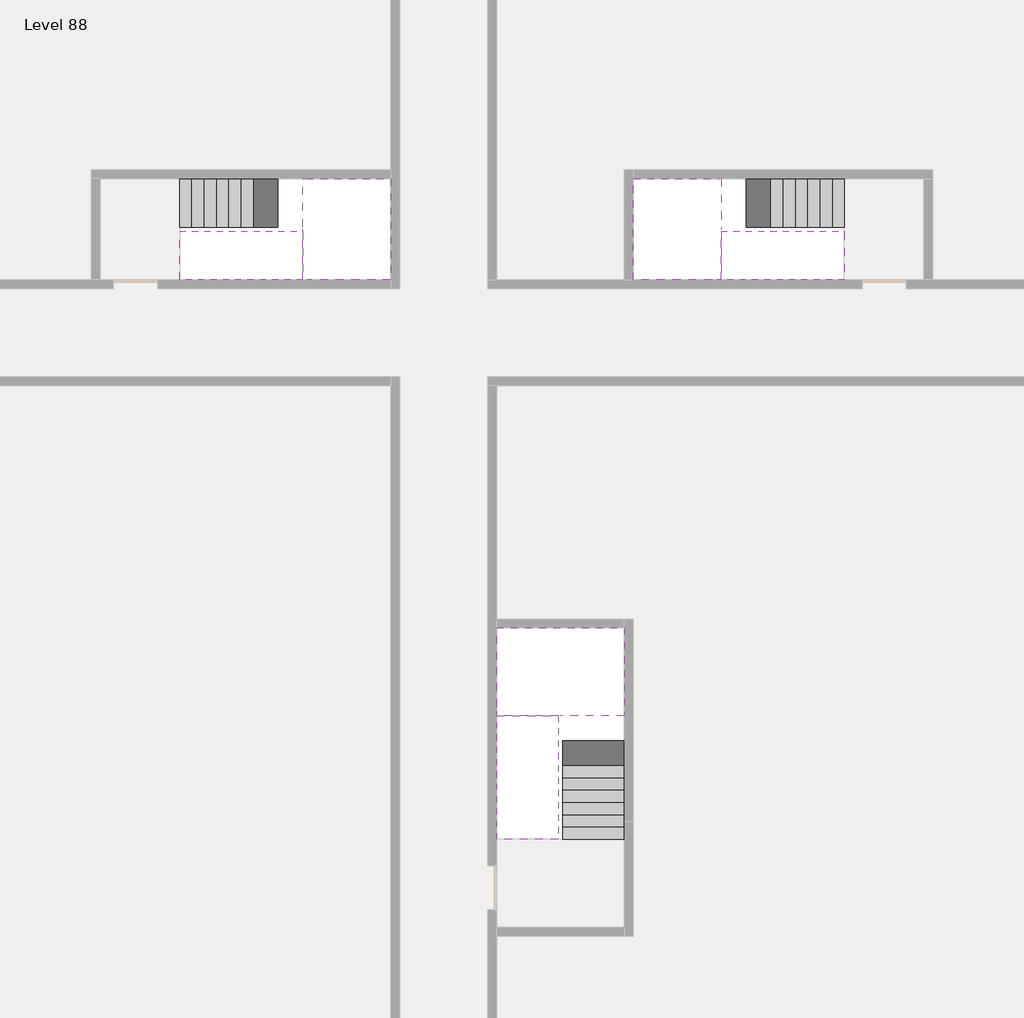
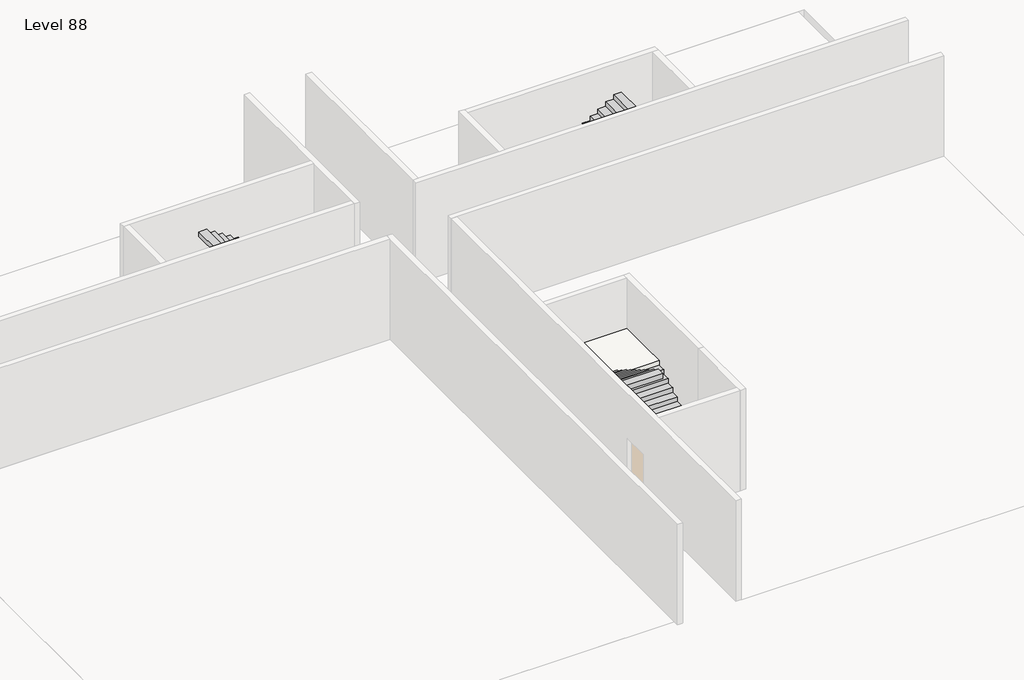
# One storey, part 2 of 2: 6 stair flights, 3 slabs.
"""IFC4 building model written with IfcOpenShell, lengths in millimetres."""

from ifc_helpers import new_model, si_unit, origin, place, context, project, spatial, faceted_brep, element, save

model = new_model("IFC4")

# Units and contexts
model_context = context("Model", 3, world=origin())
ifc_project = project(units=[si_unit("LENGTHUNIT", "METRE", prefix="MILLI")], contexts=[model_context])

# Site, building, storey
site = spatial("IfcSite", under=ifc_project)
building = spatial("IfcBuilding", under=site)
storey = spatial("IfcBuildingStorey", under=building, Name="Level 88", Elevation=330600.0)

# Slabs
placement = place(None, origin())
element("IfcSlab", 1, at=placement, inside=storey, context=model_context, shape_type="Brep", body=[
    faceted_brep([(26890.1058784, -40418.09644, 332500.0), (28290.1058784, -40418.09644, 332500.0), (28290.1058784, -40338.7100038, 332500.0), (28290.1058784, -38418.09644, 332500.0), (25390.1058784, -38418.09644, 332500.0), (25390.1058784, -40217.4828763, 332500.0), (25390.1058784, -40418.09644, 332500.0), (26790.1058784, -40418.09644, 332500.0), (26890.1058784, -40418.09644, 332200.0), (26890.1058784, -40418.09644, 332151.0278478), (28290.1058784, -40418.09644, 332151.0278478), (28290.1058784, -40418.09644, 332327.2727273), (28290.1058784, -40338.7100038, 332200.0), (28290.1058784, -38418.09644, 332200.0), (25390.1058784, -38418.09644, 332200.0), (25390.1058784, -40217.4828763, 332200.0), (25390.1058784, -40418.09644, 332323.7551205), (26790.1058784, -40418.09644, 332323.7551205), (26790.1058784, -40418.09644, 332200.0), (26790.1058784, -40217.4828763, 332200.0), (26890.1058784, -40338.7100038, 332200.0)], [[[0, 1, 2, 3, 4, 5, 6, 7]], [[1, 0, 8, 9, 10, 11]], [[1, 11, 10, 12, 13, 3, 2]], [[4, 3, 13, 14]], [[4, 14, 15, 16, 6, 5]], [[7, 6, 16, 17]], [[0, 7, 17, 18, 8]], [[18, 19, 15, 14, 13, 12, 20, 8]], [[19, 18, 17]], [[20, 12, 10, 9]], [[8, 20, 9]], [[15, 19, 17, 16]]]),
])
element("IfcSlab", 2, at=placement, inside=storey, context=model_context, shape_type="Brep", body=[
    faceted_brep([(20990.1058784, -28218.09644, 332500.0), (20990.1058784, -29318.09644, 332500.0), (20990.1058784, -29418.09644, 332500.0), (20990.1058784, -30518.09644, 332500.0), (21190.7194421, -30518.09644, 332500.0), (22990.1058784, -30518.09644, 332500.0), (22990.1058784, -28218.09644, 332500.0), (21069.4923146, -28218.09644, 332500.0), (20990.1058784, -28218.09644, 332327.2727273), (20990.1058784, -28218.09644, 332151.0278478), (20990.1058784, -29318.09644, 332151.0278478), (20990.1058784, -29318.09644, 332200.0), (20990.1058784, -29418.09644, 332200.0), (20990.1058784, -29418.09644, 332323.7551205), (20990.1058784, -30518.09644, 332323.7551205), (21190.7194421, -30518.09644, 332200.0), (22990.1058784, -30518.09644, 332200.0), (22990.1058784, -28218.09644, 332200.0), (21069.4923146, -28218.09644, 332200.0), (21190.7194421, -29418.09644, 332200.0), (21069.4923146, -29318.09644, 332200.0)], [[[0, 1, 2, 3, 4, 5, 6, 7]], [[1, 0, 8, 9, 10, 11]], [[2, 1, 11, 12, 13]], [[3, 2, 13, 14]], [[3, 14, 15, 16, 5, 4]], [[6, 5, 16, 17]], [[9, 8, 0, 7, 6, 17, 18]], [[19, 12, 11, 20, 18, 17, 16, 15]], [[12, 19, 13]], [[18, 20, 10, 9]], [[20, 11, 10]], [[19, 15, 14, 13]]]),
])
element("IfcSlab", 3, at=placement, inside=storey, context=model_context, shape_type="Brep", body=[
    faceted_brep([(30490.1058784, -29318.09644, 332500.0), (30490.1058784, -28218.09644, 332500.0), (30410.7194421, -28218.09644, 332500.0), (28490.1058784, -28218.09644, 332500.0), (28490.1058784, -30518.09644, 332500.0), (30289.4923146, -30518.09644, 332500.0), (30490.1058784, -30518.09644, 332500.0), (30490.1058784, -29418.09644, 332500.0), (30490.1058784, -29318.09644, 332200.0), (30490.1058784, -29318.09644, 332151.0278478), (30490.1058784, -28218.09644, 332151.0278478), (30490.1058784, -28218.09644, 332327.2727273), (30490.1058784, -29418.09644, 332323.7551205), (30490.1058784, -29418.09644, 332200.0), (30490.1058784, -30518.09644, 332323.7551205), (28490.1058784, -30518.09644, 332200.0), (30289.4923146, -30518.09644, 332200.0), (28490.1058784, -28218.09644, 332200.0), (30410.7194421, -28218.09644, 332200.0), (30289.4923146, -29418.09644, 332200.0), (30410.7194421, -29318.09644, 332200.0)], [[[0, 1, 2, 3, 4, 5, 6, 7]], [[1, 0, 8, 9, 10, 11]], [[0, 7, 12, 13, 8]], [[7, 6, 14, 12]], [[4, 15, 16, 14, 6, 5]], [[4, 3, 17, 15]], [[1, 11, 10, 18, 17, 3, 2]], [[13, 19, 16, 15, 17, 18, 20, 8]], [[20, 18, 10, 9]], [[8, 20, 9]], [[16, 19, 12, 14]], [[19, 13, 12]]]),
])

# Stair flights
element("IfcStairFlight", 4, at=placement, inside=storey, context=model_context, shape_type="Brep", body=[
    faceted_brep([(26890.1058784, -42938.09644, 330772.7272727), (26890.1058784, -43218.09644, 330772.7272727), (28290.1058784, -43218.09644, 330772.7272727), (28290.1058784, -42938.09644, 330772.7272727), (26890.1058784, -42938.09644, 330600.0), (26890.1058784, -43218.09644, 330600.0), (28290.1058784, -43218.09644, 330600.0), (28290.1058784, -42938.09644, 330600.0), (26890.1058784, -42658.09644, 330945.4545455), (26890.1058784, -42938.09644, 330945.4545455), (28290.1058784, -42938.09644, 330945.4545455), (28290.1058784, -42658.09644, 330945.4545455), (26890.1058784, -42658.09644, 330769.209666), (26890.1058784, -42932.3942143, 330600.0), (28290.1058784, -42932.3942143, 330600.0), (28290.1058784, -42658.09644, 330769.209666), (26890.1058784, -42378.09644, 331118.1818182), (26890.1058784, -42658.09644, 331118.1818182), (28290.1058784, -42658.09644, 331118.1818182), (28290.1058784, -42378.09644, 331118.1818182), (26890.1058784, -42378.09644, 330941.9369387), (28290.1058784, -42378.09644, 330941.9369387), (26890.1058784, -42098.09644, 331290.9090909), (26890.1058784, -42378.09644, 331290.9090909), (28290.1058784, -42378.09644, 331290.9090909), (28290.1058784, -42098.09644, 331290.9090909), (26890.1058784, -42098.09644, 331114.6642114), (28290.1058784, -42098.09644, 331114.6642114), (26890.1058784, -41818.09644, 331463.6363636), (26890.1058784, -42098.09644, 331463.6363636), (28290.1058784, -42098.09644, 331463.6363636), (28290.1058784, -41818.09644, 331463.6363636), (26890.1058784, -41818.09644, 331287.3914841), (28290.1058784, -41818.09644, 331287.3914841), (26890.1058784, -41538.09644, 331636.3636364), (26890.1058784, -41818.09644, 331636.3636364), (28290.1058784, -41818.09644, 331636.3636364), (28290.1058784, -41538.09644, 331636.3636364), (26890.1058784, -41538.09644, 331460.1187569), (28290.1058784, -41538.09644, 331460.1187569), (26890.1058784, -41258.09644, 331809.0909091), (26890.1058784, -41538.09644, 331809.0909091), (28290.1058784, -41538.09644, 331809.0909091), (28290.1058784, -41258.09644, 331809.0909091), (26890.1058784, -41258.09644, 331632.8460296), (28290.1058784, -41258.09644, 331632.8460296), (26890.1058784, -40978.09644, 331981.8181818), (26890.1058784, -41258.09644, 331981.8181818), (28290.1058784, -41258.09644, 331981.8181818), (28290.1058784, -40978.09644, 331981.8181818), (26890.1058784, -40978.09644, 331805.5733023), (28290.1058784, -40978.09644, 331805.5733023), (26890.1058784, -40698.09644, 332154.5454545), (26890.1058784, -40978.09644, 332154.5454545), (28290.1058784, -40978.09644, 332154.5454545), (28290.1058784, -40698.09644, 332154.5454545), (26890.1058784, -40698.09644, 331978.3005751), (28290.1058784, -40698.09644, 331978.3005751), (26890.1058784, -40418.09644, 332327.2727273), (26890.1058784, -40698.09644, 332327.2727273), (28290.1058784, -40698.09644, 332327.2727273), (28290.1058784, -40418.09644, 332327.2727273), (26890.1058784, -40418.09644, 332200.0), (26890.1058784, -40418.09644, 332151.0278478), (28290.1058784, -40418.09644, 332151.0278478)], [[[0, 1, 2, 3]], [[1, 0, 4, 5]], [[2, 1, 5, 6]], [[3, 2, 6, 7]], [[8, 9, 10, 11]], [[4, 0, 9, 8, 12, 13]], [[0, 3, 10, 9]], [[3, 7, 14, 15, 11, 10]], [[16, 17, 18, 19]], [[17, 16, 20, 12, 8]], [[8, 11, 18, 17]], [[19, 18, 11, 15, 21]], [[22, 23, 24, 25]], [[23, 22, 26, 20, 16]], [[16, 19, 24, 23]], [[25, 24, 19, 21, 27]], [[28, 29, 30, 31]], [[29, 28, 32, 26, 22]], [[22, 25, 30, 29]], [[31, 30, 25, 27, 33]], [[34, 35, 36, 37]], [[35, 34, 38, 32, 28]], [[28, 31, 36, 35]], [[37, 36, 31, 33, 39]], [[40, 41, 42, 43]], [[41, 40, 44, 38, 34]], [[34, 37, 42, 41]], [[43, 42, 37, 39, 45]], [[46, 47, 48, 49]], [[47, 46, 50, 44, 40]], [[40, 43, 48, 47]], [[49, 48, 43, 45, 51]], [[52, 53, 54, 55]], [[53, 52, 56, 50, 46]], [[46, 49, 54, 53]], [[55, 54, 49, 51, 57]], [[58, 59, 60, 61]], [[59, 58, 62, 63, 56, 52]], [[52, 55, 60, 59]], [[61, 60, 55, 57, 64]], [[58, 61, 64, 63, 62]], [[5, 4, 13, 14, 7, 6]], [[14, 13, 12, 20, 26, 32, 38, 44, 50, 56, 63, 64, 57, 51, 45, 39, 33, 27, 21, 15]]]),
])
element("IfcStairFlight", 5, at=placement, inside=storey, context=model_context, shape_type="Brep", body=[
    faceted_brep([(26790.1058784, -40698.09644, 332672.7272727), (26790.1058784, -40418.09644, 332672.7272727), (25390.1058784, -40418.09644, 332672.7272727), (25390.1058784, -40698.09644, 332672.7272727), (26790.1058784, -40698.09644, 332496.4823932), (26790.1058784, -40418.09644, 332323.7551205), (25390.1058784, -40418.09644, 332323.7551205), (25390.1058784, -40418.09644, 332500.0), (25390.1058784, -40698.09644, 332496.4823932), (26790.1058784, -40978.09644, 332845.4545455), (26790.1058784, -40698.09644, 332845.4545455), (25390.1058784, -40698.09644, 332845.4545455), (25390.1058784, -40978.09644, 332845.4545455), (26790.1058784, -40978.09644, 332669.209666), (25390.1058784, -40978.09644, 332669.209666), (26790.1058784, -41258.09644, 333018.1818182), (26790.1058784, -40978.09644, 333018.1818182), (25390.1058784, -40978.09644, 333018.1818182), (25390.1058784, -41258.09644, 333018.1818182), (26790.1058784, -41258.09644, 332841.9369387), (25390.1058784, -41258.09644, 332841.9369387), (26790.1058784, -41538.09644, 333190.9090909), (26790.1058784, -41258.09644, 333190.9090909), (25390.1058784, -41258.09644, 333190.9090909), (25390.1058784, -41538.09644, 333190.9090909), (26790.1058784, -41538.09644, 333014.6642114), (25390.1058784, -41538.09644, 333014.6642114), (26790.1058784, -41818.09644, 333363.6363636), (26790.1058784, -41538.09644, 333363.6363636), (25390.1058784, -41538.09644, 333363.6363636), (25390.1058784, -41818.09644, 333363.6363636), (26790.1058784, -41818.09644, 333187.3914841), (25390.1058784, -41818.09644, 333187.3914841), (26790.1058784, -42098.09644, 333536.3636364), (26790.1058784, -41818.09644, 333536.3636364), (25390.1058784, -41818.09644, 333536.3636364), (25390.1058784, -42098.09644, 333536.3636364), (26790.1058784, -42098.09644, 333360.1187569), (25390.1058784, -42098.09644, 333360.1187569), (26790.1058784, -42378.09644, 333709.0909091), (26790.1058784, -42098.09644, 333709.0909091), (25390.1058784, -42098.09644, 333709.0909091), (25390.1058784, -42378.09644, 333709.0909091), (26790.1058784, -42378.09644, 333532.8460296), (25390.1058784, -42378.09644, 333532.8460296), (26790.1058784, -42658.09644, 333881.8181818), (26790.1058784, -42378.09644, 333881.8181818), (25390.1058784, -42378.09644, 333881.8181818), (25390.1058784, -42658.09644, 333881.8181818), (26790.1058784, -42658.09644, 333705.5733023), (25390.1058784, -42658.09644, 333705.5733023), (26790.1058784, -42938.09644, 334054.5454545), (26790.1058784, -42658.09644, 334054.5454545), (25390.1058784, -42658.09644, 334054.5454545), (25390.1058784, -42938.09644, 334054.5454545), (26790.1058784, -42938.09644, 333878.3005751), (25390.1058784, -42938.09644, 333878.3005751), (26790.1058784, -43218.09644, 334227.2727273), (26790.1058784, -42938.09644, 334227.2727273), (25390.1058784, -42938.09644, 334227.2727273), (25390.1058784, -43218.09644, 334227.2727273), (26790.1058784, -43218.09644, 334051.0278478), (25390.1058784, -43218.09644, 334051.0278478)], [[[0, 1, 2, 3]], [[1, 0, 4, 5]], [[2, 1, 5, 6, 7]], [[3, 2, 7, 6, 8]], [[9, 10, 11, 12]], [[10, 9, 13, 4, 0]], [[11, 10, 0, 3]], [[12, 11, 3, 8, 14]], [[15, 16, 17, 18]], [[16, 15, 19, 13, 9]], [[17, 16, 9, 12]], [[18, 17, 12, 14, 20]], [[21, 22, 23, 24]], [[22, 21, 25, 19, 15]], [[23, 22, 15, 18]], [[24, 23, 18, 20, 26]], [[27, 28, 29, 30]], [[28, 27, 31, 25, 21]], [[29, 28, 21, 24]], [[30, 29, 24, 26, 32]], [[33, 34, 35, 36]], [[34, 33, 37, 31, 27]], [[35, 34, 27, 30]], [[36, 35, 30, 32, 38]], [[39, 40, 41, 42]], [[40, 39, 43, 37, 33]], [[41, 40, 33, 36]], [[42, 41, 36, 38, 44]], [[45, 46, 47, 48]], [[46, 45, 49, 43, 39]], [[47, 46, 39, 42]], [[48, 47, 42, 44, 50]], [[51, 52, 53, 54]], [[52, 51, 55, 49, 45]], [[53, 52, 45, 48]], [[54, 53, 48, 50, 56]], [[57, 58, 59, 60]], [[58, 57, 61, 55, 51]], [[59, 58, 51, 54]], [[60, 59, 54, 56, 62]], [[57, 60, 62, 61]], [[5, 4, 13, 19, 25, 31, 37, 43, 49, 55, 61, 62, 56, 50, 44, 38, 32, 26, 20, 14, 8, 6]]]),
])
element("IfcStairFlight", 6, at=placement, inside=storey, context=model_context, shape_type="Brep", body=[
    faceted_brep([(18470.1058784, -28218.09644, 330772.7272727), (18190.1058784, -28218.09644, 330772.7272727), (18190.1058784, -29318.09644, 330772.7272727), (18470.1058784, -29318.09644, 330772.7272727), (18470.1058784, -28218.09644, 330600.0), (18190.1058784, -28218.09644, 330600.0), (18190.1058784, -29318.09644, 330600.0), (18470.1058784, -29318.09644, 330600.0), (18750.1058784, -28218.09644, 330945.4545455), (18470.1058784, -28218.09644, 330945.4545455), (18470.1058784, -29318.09644, 330945.4545455), (18750.1058784, -29318.09644, 330945.4545455), (18750.1058784, -28218.09644, 330769.209666), (18475.8081041, -28218.09644, 330600.0), (18475.8081041, -29318.09644, 330600.0), (18750.1058784, -29318.09644, 330769.209666), (19030.1058784, -28218.09644, 331118.1818182), (18750.1058784, -28218.09644, 331118.1818182), (18750.1058784, -29318.09644, 331118.1818182), (19030.1058784, -29318.09644, 331118.1818182), (19030.1058784, -28218.09644, 330941.9369387), (19030.1058784, -29318.09644, 330941.9369387), (19310.1058784, -28218.09644, 331290.9090909), (19030.1058784, -28218.09644, 331290.9090909), (19030.1058784, -29318.09644, 331290.9090909), (19310.1058784, -29318.09644, 331290.9090909), (19310.1058784, -28218.09644, 331114.6642114), (19310.1058784, -29318.09644, 331114.6642114), (19590.1058784, -28218.09644, 331463.6363636), (19310.1058784, -28218.09644, 331463.6363636), (19310.1058784, -29318.09644, 331463.6363636), (19590.1058784, -29318.09644, 331463.6363636), (19590.1058784, -28218.09644, 331287.3914841), (19590.1058784, -29318.09644, 331287.3914841), (19870.1058784, -28218.09644, 331636.3636364), (19590.1058784, -28218.09644, 331636.3636364), (19590.1058784, -29318.09644, 331636.3636364), (19870.1058784, -29318.09644, 331636.3636364), (19870.1058784, -28218.09644, 331460.1187569), (19870.1058784, -29318.09644, 331460.1187569), (20150.1058784, -28218.09644, 331809.0909091), (19870.1058784, -28218.09644, 331809.0909091), (19870.1058784, -29318.09644, 331809.0909091), (20150.1058784, -29318.09644, 331809.0909091), (20150.1058784, -28218.09644, 331632.8460296), (20150.1058784, -29318.09644, 331632.8460296), (20430.1058784, -28218.09644, 331981.8181818), (20150.1058784, -28218.09644, 331981.8181818), (20150.1058784, -29318.09644, 331981.8181818), (20430.1058784, -29318.09644, 331981.8181818), (20430.1058784, -28218.09644, 331805.5733023), (20430.1058784, -29318.09644, 331805.5733023), (20710.1058784, -28218.09644, 332154.5454545), (20430.1058784, -28218.09644, 332154.5454545), (20430.1058784, -29318.09644, 332154.5454545), (20710.1058784, -29318.09644, 332154.5454545), (20710.1058784, -28218.09644, 331978.3005751), (20710.1058784, -29318.09644, 331978.3005751), (20990.1058784, -28218.09644, 332327.2727273), (20710.1058784, -28218.09644, 332327.2727273), (20710.1058784, -29318.09644, 332327.2727273), (20990.1058784, -29318.09644, 332327.2727273), (20990.1058784, -28218.09644, 332151.0278478), (20990.1058784, -29318.09644, 332151.0278478), (20990.1058784, -29318.09644, 332200.0)], [[[0, 1, 2, 3]], [[1, 0, 4, 5]], [[2, 1, 5, 6]], [[3, 2, 6, 7]], [[8, 9, 10, 11]], [[4, 0, 9, 8, 12, 13]], [[0, 3, 10, 9]], [[3, 7, 14, 15, 11, 10]], [[16, 17, 18, 19]], [[17, 16, 20, 12, 8]], [[8, 11, 18, 17]], [[19, 18, 11, 15, 21]], [[22, 23, 24, 25]], [[23, 22, 26, 20, 16]], [[16, 19, 24, 23]], [[25, 24, 19, 21, 27]], [[28, 29, 30, 31]], [[29, 28, 32, 26, 22]], [[22, 25, 30, 29]], [[31, 30, 25, 27, 33]], [[34, 35, 36, 37]], [[35, 34, 38, 32, 28]], [[28, 31, 36, 35]], [[37, 36, 31, 33, 39]], [[40, 41, 42, 43]], [[41, 40, 44, 38, 34]], [[34, 37, 42, 41]], [[43, 42, 37, 39, 45]], [[46, 47, 48, 49]], [[47, 46, 50, 44, 40]], [[40, 43, 48, 47]], [[49, 48, 43, 45, 51]], [[52, 53, 54, 55]], [[53, 52, 56, 50, 46]], [[46, 49, 54, 53]], [[55, 54, 49, 51, 57]], [[58, 59, 60, 61]], [[59, 58, 62, 56, 52]], [[52, 55, 60, 59]], [[61, 60, 55, 57, 63, 64]], [[58, 61, 64, 63, 62]], [[5, 4, 13, 14, 7, 6]], [[14, 13, 12, 20, 26, 32, 38, 44, 50, 56, 62, 63, 57, 51, 45, 39, 33, 27, 21, 15]]]),
])
element("IfcStairFlight", 7, at=placement, inside=storey, context=model_context, shape_type="Brep", body=[
    faceted_brep([(20710.1058784, -30518.09644, 332672.7272727), (20990.1058784, -30518.09644, 332672.7272727), (20990.1058784, -29418.09644, 332672.7272727), (20710.1058784, -29418.09644, 332672.7272727), (20710.1058784, -30518.09644, 332496.4823932), (20990.1058784, -30518.09644, 332323.7551205), (20990.1058784, -30518.09644, 332500.0), (20990.1058784, -29418.09644, 332323.7551205), (20710.1058784, -29418.09644, 332496.4823932), (20430.1058784, -30518.09644, 332845.4545455), (20710.1058784, -30518.09644, 332845.4545455), (20710.1058784, -29418.09644, 332845.4545455), (20430.1058784, -29418.09644, 332845.4545455), (20430.1058784, -30518.09644, 332669.209666), (20430.1058784, -29418.09644, 332669.209666), (20150.1058784, -30518.09644, 333018.1818182), (20430.1058784, -30518.09644, 333018.1818182), (20430.1058784, -29418.09644, 333018.1818182), (20150.1058784, -29418.09644, 333018.1818182), (20150.1058784, -30518.09644, 332841.9369387), (20150.1058784, -29418.09644, 332841.9369387), (19870.1058784, -30518.09644, 333190.9090909), (20150.1058784, -30518.09644, 333190.9090909), (20150.1058784, -29418.09644, 333190.9090909), (19870.1058784, -29418.09644, 333190.9090909), (19870.1058784, -30518.09644, 333014.6642114), (19870.1058784, -29418.09644, 333014.6642114), (19590.1058784, -30518.09644, 333363.6363636), (19870.1058784, -30518.09644, 333363.6363636), (19870.1058784, -29418.09644, 333363.6363636), (19590.1058784, -29418.09644, 333363.6363636), (19590.1058784, -30518.09644, 333187.3914841), (19590.1058784, -29418.09644, 333187.3914841), (19310.1058784, -30518.09644, 333536.3636364), (19590.1058784, -30518.09644, 333536.3636364), (19590.1058784, -29418.09644, 333536.3636364), (19310.1058784, -29418.09644, 333536.3636364), (19310.1058784, -30518.09644, 333360.1187569), (19310.1058784, -29418.09644, 333360.1187569), (19030.1058784, -30518.09644, 333709.0909091), (19310.1058784, -30518.09644, 333709.0909091), (19310.1058784, -29418.09644, 333709.0909091), (19030.1058784, -29418.09644, 333709.0909091), (19030.1058784, -30518.09644, 333532.8460296), (19030.1058784, -29418.09644, 333532.8460296), (18750.1058784, -30518.09644, 333881.8181818), (19030.1058784, -30518.09644, 333881.8181818), (19030.1058784, -29418.09644, 333881.8181818), (18750.1058784, -29418.09644, 333881.8181818), (18750.1058784, -30518.09644, 333705.5733023), (18750.1058784, -29418.09644, 333705.5733023), (18470.1058784, -30518.09644, 334054.5454545), (18750.1058784, -30518.09644, 334054.5454545), (18750.1058784, -29418.09644, 334054.5454545), (18470.1058784, -29418.09644, 334054.5454545), (18470.1058784, -30518.09644, 333878.3005751), (18470.1058784, -29418.09644, 333878.3005751), (18190.1058784, -30518.09644, 334227.2727273), (18470.1058784, -30518.09644, 334227.2727273), (18470.1058784, -29418.09644, 334227.2727273), (18190.1058784, -29418.09644, 334227.2727273), (18190.1058784, -30518.09644, 334051.0278478), (18190.1058784, -29418.09644, 334051.0278478)], [[[0, 1, 2, 3]], [[1, 0, 4, 5, 6]], [[2, 1, 6, 5, 7]], [[3, 2, 7, 8]], [[9, 10, 11, 12]], [[10, 9, 13, 4, 0]], [[11, 10, 0, 3]], [[12, 11, 3, 8, 14]], [[15, 16, 17, 18]], [[16, 15, 19, 13, 9]], [[17, 16, 9, 12]], [[18, 17, 12, 14, 20]], [[21, 22, 23, 24]], [[22, 21, 25, 19, 15]], [[23, 22, 15, 18]], [[24, 23, 18, 20, 26]], [[27, 28, 29, 30]], [[28, 27, 31, 25, 21]], [[29, 28, 21, 24]], [[30, 29, 24, 26, 32]], [[33, 34, 35, 36]], [[34, 33, 37, 31, 27]], [[35, 34, 27, 30]], [[36, 35, 30, 32, 38]], [[39, 40, 41, 42]], [[40, 39, 43, 37, 33]], [[41, 40, 33, 36]], [[42, 41, 36, 38, 44]], [[45, 46, 47, 48]], [[46, 45, 49, 43, 39]], [[47, 46, 39, 42]], [[48, 47, 42, 44, 50]], [[51, 52, 53, 54]], [[52, 51, 55, 49, 45]], [[53, 52, 45, 48]], [[54, 53, 48, 50, 56]], [[57, 58, 59, 60]], [[58, 57, 61, 55, 51]], [[59, 58, 51, 54]], [[60, 59, 54, 56, 62]], [[57, 60, 62, 61]], [[5, 4, 13, 19, 25, 31, 37, 43, 49, 55, 61, 62, 56, 50, 44, 38, 32, 26, 20, 14, 8, 7]]]),
])
element("IfcStairFlight", 8, at=placement, inside=storey, context=model_context, shape_type="Brep", body=[
    faceted_brep([(33010.1058784, -29318.09644, 330772.7272727), (33290.1058784, -29318.09644, 330772.7272727), (33290.1058784, -28218.09644, 330772.7272727), (33010.1058784, -28218.09644, 330772.7272727), (33290.1058784, -28218.09644, 330600.0), (33010.1058784, -28218.09644, 330600.0), (33290.1058784, -29318.09644, 330600.0), (33010.1058784, -29318.09644, 330600.0), (32730.1058784, -29318.09644, 330945.4545455), (33010.1058784, -29318.09644, 330945.4545455), (33010.1058784, -28218.09644, 330945.4545455), (32730.1058784, -28218.09644, 330945.4545455), (33004.4036527, -28218.09644, 330600.0), (32730.1058784, -28218.09644, 330769.209666), (32730.1058784, -29318.09644, 330769.209666), (33004.4036527, -29318.09644, 330600.0), (32450.1058784, -29318.09644, 331118.1818182), (32730.1058784, -29318.09644, 331118.1818182), (32730.1058784, -28218.09644, 331118.1818182), (32450.1058784, -28218.09644, 331118.1818182), (32450.1058784, -28218.09644, 330941.9369387), (32450.1058784, -29318.09644, 330941.9369387), (32170.1058784, -29318.09644, 331290.9090909), (32450.1058784, -29318.09644, 331290.9090909), (32450.1058784, -28218.09644, 331290.9090909), (32170.1058784, -28218.09644, 331290.9090909), (32170.1058784, -28218.09644, 331114.6642114), (32170.1058784, -29318.09644, 331114.6642114), (31890.1058784, -29318.09644, 331463.6363636), (32170.1058784, -29318.09644, 331463.6363636), (32170.1058784, -28218.09644, 331463.6363636), (31890.1058784, -28218.09644, 331463.6363636), (31890.1058784, -28218.09644, 331287.3914841), (31890.1058784, -29318.09644, 331287.3914841), (31610.1058784, -29318.09644, 331636.3636364), (31890.1058784, -29318.09644, 331636.3636364), (31890.1058784, -28218.09644, 331636.3636364), (31610.1058784, -28218.09644, 331636.3636364), (31610.1058784, -28218.09644, 331460.1187569), (31610.1058784, -29318.09644, 331460.1187569), (31330.1058784, -29318.09644, 331809.0909091), (31610.1058784, -29318.09644, 331809.0909091), (31610.1058784, -28218.09644, 331809.0909091), (31330.1058784, -28218.09644, 331809.0909091), (31330.1058784, -28218.09644, 331632.8460296), (31330.1058784, -29318.09644, 331632.8460296), (31050.1058784, -29318.09644, 331981.8181818), (31330.1058784, -29318.09644, 331981.8181818), (31330.1058784, -28218.09644, 331981.8181818), (31050.1058784, -28218.09644, 331981.8181818), (31050.1058784, -28218.09644, 331805.5733023), (31050.1058784, -29318.09644, 331805.5733023), (30770.1058784, -29318.09644, 332154.5454545), (31050.1058784, -29318.09644, 332154.5454545), (31050.1058784, -28218.09644, 332154.5454545), (30770.1058784, -28218.09644, 332154.5454545), (30770.1058784, -28218.09644, 331978.3005751), (30770.1058784, -29318.09644, 331978.3005751), (30490.1058784, -29318.09644, 332327.2727273), (30770.1058784, -29318.09644, 332327.2727273), (30770.1058784, -28218.09644, 332327.2727273), (30490.1058784, -28218.09644, 332327.2727273), (30490.1058784, -28218.09644, 332151.0278478), (30490.1058784, -29318.09644, 332200.0), (30490.1058784, -29318.09644, 332151.0278478)], [[[0, 1, 2, 3]], [[3, 2, 4, 5]], [[2, 1, 6, 4]], [[1, 0, 7, 6]], [[8, 9, 10, 11]], [[3, 5, 12, 13, 11, 10]], [[0, 3, 10, 9]], [[7, 0, 9, 8, 14, 15]], [[16, 17, 18, 19]], [[19, 18, 11, 13, 20]], [[8, 11, 18, 17]], [[17, 16, 21, 14, 8]], [[22, 23, 24, 25]], [[25, 24, 19, 20, 26]], [[16, 19, 24, 23]], [[23, 22, 27, 21, 16]], [[28, 29, 30, 31]], [[31, 30, 25, 26, 32]], [[22, 25, 30, 29]], [[29, 28, 33, 27, 22]], [[34, 35, 36, 37]], [[37, 36, 31, 32, 38]], [[28, 31, 36, 35]], [[35, 34, 39, 33, 28]], [[40, 41, 42, 43]], [[43, 42, 37, 38, 44]], [[34, 37, 42, 41]], [[41, 40, 45, 39, 34]], [[46, 47, 48, 49]], [[49, 48, 43, 44, 50]], [[40, 43, 48, 47]], [[47, 46, 51, 45, 40]], [[52, 53, 54, 55]], [[55, 54, 49, 50, 56]], [[46, 49, 54, 53]], [[53, 52, 57, 51, 46]], [[58, 59, 60, 61]], [[61, 60, 55, 56, 62]], [[52, 55, 60, 59]], [[59, 58, 63, 64, 57, 52]], [[58, 61, 62, 64, 63]], [[6, 7, 15, 12, 5, 4]], [[12, 15, 14, 21, 27, 33, 39, 45, 51, 57, 64, 62, 56, 50, 44, 38, 32, 26, 20, 13]]]),
])
element("IfcStairFlight", 9, at=placement, inside=storey, context=model_context, shape_type="Brep", body=[
    faceted_brep([(30770.1058784, -29418.09644, 332672.7272727), (30490.1058784, -29418.09644, 332672.7272727), (30490.1058784, -30518.09644, 332672.7272727), (30770.1058784, -30518.09644, 332672.7272727), (30490.1058784, -30518.09644, 332500.0), (30490.1058784, -30518.09644, 332323.7551205), (30770.1058784, -30518.09644, 332496.4823932), (30490.1058784, -29418.09644, 332323.7551205), (30770.1058784, -29418.09644, 332496.4823932), (31050.1058784, -29418.09644, 332845.4545455), (30770.1058784, -29418.09644, 332845.4545455), (30770.1058784, -30518.09644, 332845.4545455), (31050.1058784, -30518.09644, 332845.4545455), (31050.1058784, -30518.09644, 332669.209666), (31050.1058784, -29418.09644, 332669.209666), (31330.1058784, -29418.09644, 333018.1818182), (31050.1058784, -29418.09644, 333018.1818182), (31050.1058784, -30518.09644, 333018.1818182), (31330.1058784, -30518.09644, 333018.1818182), (31330.1058784, -30518.09644, 332841.9369387), (31330.1058784, -29418.09644, 332841.9369387), (31610.1058784, -29418.09644, 333190.9090909), (31330.1058784, -29418.09644, 333190.9090909), (31330.1058784, -30518.09644, 333190.9090909), (31610.1058784, -30518.09644, 333190.9090909), (31610.1058784, -30518.09644, 333014.6642114), (31610.1058784, -29418.09644, 333014.6642114), (31890.1058784, -29418.09644, 333363.6363636), (31610.1058784, -29418.09644, 333363.6363636), (31610.1058784, -30518.09644, 333363.6363636), (31890.1058784, -30518.09644, 333363.6363636), (31890.1058784, -30518.09644, 333187.3914841), (31890.1058784, -29418.09644, 333187.3914841), (32170.1058784, -29418.09644, 333536.3636364), (31890.1058784, -29418.09644, 333536.3636364), (31890.1058784, -30518.09644, 333536.3636364), (32170.1058784, -30518.09644, 333536.3636364), (32170.1058784, -30518.09644, 333360.1187569), (32170.1058784, -29418.09644, 333360.1187569), (32450.1058784, -29418.09644, 333709.0909091), (32170.1058784, -29418.09644, 333709.0909091), (32170.1058784, -30518.09644, 333709.0909091), (32450.1058784, -30518.09644, 333709.0909091), (32450.1058784, -30518.09644, 333532.8460296), (32450.1058784, -29418.09644, 333532.8460296), (32730.1058784, -29418.09644, 333881.8181818), (32450.1058784, -29418.09644, 333881.8181818), (32450.1058784, -30518.09644, 333881.8181818), (32730.1058784, -30518.09644, 333881.8181818), (32730.1058784, -30518.09644, 333705.5733023), (32730.1058784, -29418.09644, 333705.5733023), (33010.1058784, -29418.09644, 334054.5454545), (32730.1058784, -29418.09644, 334054.5454545), (32730.1058784, -30518.09644, 334054.5454545), (33010.1058784, -30518.09644, 334054.5454545), (33010.1058784, -30518.09644, 333878.3005751), (33010.1058784, -29418.09644, 333878.3005751), (33290.1058784, -29418.09644, 334227.2727273), (33010.1058784, -29418.09644, 334227.2727273), (33010.1058784, -30518.09644, 334227.2727273), (33290.1058784, -30518.09644, 334227.2727273), (33290.1058784, -30518.09644, 334051.0278478), (33290.1058784, -29418.09644, 334051.0278478)], [[[0, 1, 2, 3]], [[3, 2, 4, 5, 6]], [[2, 1, 7, 5, 4]], [[1, 0, 8, 7]], [[9, 10, 11, 12]], [[12, 11, 3, 6, 13]], [[11, 10, 0, 3]], [[10, 9, 14, 8, 0]], [[15, 16, 17, 18]], [[18, 17, 12, 13, 19]], [[17, 16, 9, 12]], [[16, 15, 20, 14, 9]], [[21, 22, 23, 24]], [[24, 23, 18, 19, 25]], [[23, 22, 15, 18]], [[22, 21, 26, 20, 15]], [[27, 28, 29, 30]], [[30, 29, 24, 25, 31]], [[29, 28, 21, 24]], [[28, 27, 32, 26, 21]], [[33, 34, 35, 36]], [[36, 35, 30, 31, 37]], [[35, 34, 27, 30]], [[34, 33, 38, 32, 27]], [[39, 40, 41, 42]], [[42, 41, 36, 37, 43]], [[41, 40, 33, 36]], [[40, 39, 44, 38, 33]], [[45, 46, 47, 48]], [[48, 47, 42, 43, 49]], [[47, 46, 39, 42]], [[46, 45, 50, 44, 39]], [[51, 52, 53, 54]], [[54, 53, 48, 49, 55]], [[53, 52, 45, 48]], [[52, 51, 56, 50, 45]], [[57, 58, 59, 60]], [[60, 59, 54, 55, 61]], [[59, 58, 51, 54]], [[58, 57, 62, 56, 51]], [[57, 60, 61, 62]], [[7, 8, 14, 20, 26, 32, 38, 44, 50, 56, 62, 61, 55, 49, 43, 37, 31, 25, 19, 13, 6, 5]]]),
])

save(model, "model.ifc")
